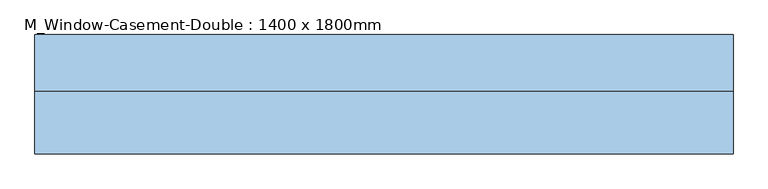
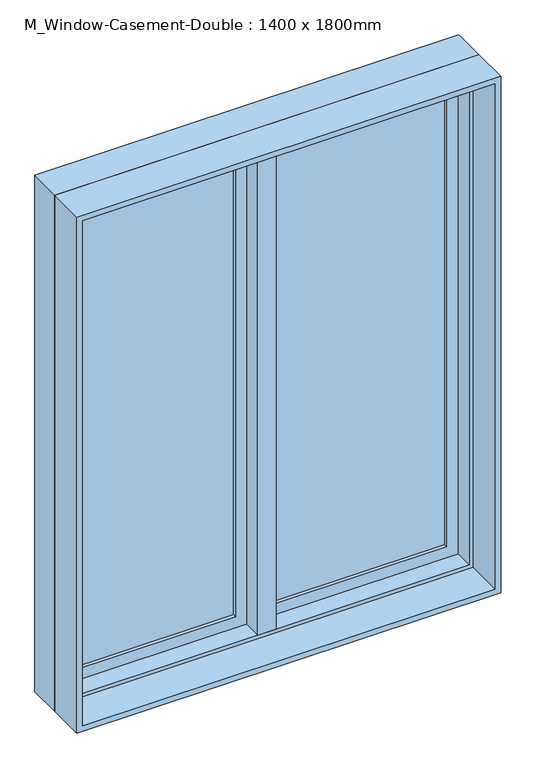
"""IFC4 building model written with IfcOpenShell, lengths in millimetres: window geometry, M_Window-Casement-Double : 1400 x 1800mm."""

from ifc_helpers import new_model, si_unit, frame, origin, place, context, project, spatial, polyline, outline, extrude, faceted_brep, source, transform, mapped, element, save


def m_window_casement_double_1400_x_1800mm_f6577a7e(model_context):
    return source(origin(), model_context, "Body", "SolidModel", [
        faceted_brep([(9.525, 129.05, 2687.3), (-9.525, 129.05, 2687.3), (-9.525, 78.25, 2687.3), (9.525, 78.25, 2687.3), (9.525, 129.05, 912.7), (9.525, 78.25, 912.7), (-9.525, 78.25, 912.7), (-9.525, 129.05, 912.7), (-9.525, 78.25, 931.75), (-9.525, 78.25, 2668.25), (-30.1625, 78.25, 931.75), (-30.1625, 78.25, 2668.25), (-30.1625, 14.75, 931.75), (-30.1625, 14.75, 2668.25), (30.1625, 14.75, 931.75), (30.1625, 14.75, 2668.25), (30.1625, 78.25, 931.75), (30.1625, 78.25, 2668.25), (9.525, 78.25, 931.75), (9.525, 78.25, 2668.25)], [[[0, 1, 2, 3]], [[4, 5, 6, 7]], [[1, 0, 4, 7]], [[2, 1, 7, 6, 8, 9]], [[9, 8, 10, 11]], [[11, 10, 12, 13]], [[13, 12, 14, 15]], [[15, 14, 16, 17]], [[17, 16, 18, 19]], [[0, 3, 19, 18, 5, 4]], [[18, 8, 6, 5]], [[9, 19, 3, 2]], [[8, 18, 16, 14, 12, 10]], [[19, 9, 11, 13, 15, 17]]]),
        extrude(outline(polyline([(-66.675, 110.0), (-66.675, 103.65), (-630.15, 103.65), (-630.15, 110.0), (-66.675, 110.0)])), frame((0.0, 0.0, 969.85), z_axis=(0.0, 0.0, 1.0), x_axis=(1.0, 0.0, 0.0)), (0.0, 0.0, 1.0), 1660.3),
        extrude(outline(polyline([(-630.15, 90.95), (-630.15, 97.3), (-66.675, 97.3), (-66.675, 90.95), (-630.15, 90.95)])), frame((0.0, 0.0, 969.85), z_axis=(0.0, 0.0, 1.0), x_axis=(1.0, 0.0, 0.0)), (0.0, 0.0, 1.0), 1660.3),
        extrude(outline(polyline([(630.15, 110.0), (630.15, 103.65), (66.675, 103.65), (66.675, 110.0), (630.15, 110.0)])), frame((0.0, 0.0, 969.85), z_axis=(0.0, 0.0, 1.0), x_axis=(1.0, 0.0, 0.0)), (0.0, 0.0, 1.0), 1660.3),
        extrude(outline(polyline([(66.675, 90.95), (66.675, 97.3), (630.15, 97.3), (630.15, 90.95), (66.675, 90.95)])), frame((0.0, 0.0, 969.85), z_axis=(0.0, 0.0, 1.0), x_axis=(1.0, 0.0, 0.0)), (0.0, 0.0, 1.0), 1660.3),
        extrude(outline(polyline([(2687.3, -687.3), (912.7, -687.3), (912.7, -9.525), (2687.3, -9.525), (2687.3, -687.3)]), holes=[polyline([(2630.15, -66.675), (969.85, -66.675), (969.85, -630.15), (2630.15, -630.15), (2630.15, -66.675)])]), frame((0.0, 78.25, 0.0), z_axis=(0.0, 1.0, 0.0), x_axis=(0.0, 0.0, 1.0)), (0.0, 0.0, 1.0), 44.45),
        extrude(outline(polyline([(912.7, 687.3), (2687.3, 687.3), (2687.3, 9.525), (912.7, 9.525), (912.7, 687.3)]), holes=[polyline([(969.85, 66.675), (2630.15, 66.675), (2630.15, 630.15), (969.85, 630.15), (969.85, 66.675)])]), frame((0.0, 78.25, 0.0), z_axis=(0.0, 1.0, 0.0), x_axis=(0.0, 0.0, 1.0)), (0.0, 0.0, 1.0), 44.45),
        extrude(outline(polyline([(2700.0, -700.0), (900.0, -700.0), (900.0, 700.0), (2700.0, 700.0), (2700.0, -700.0)]), holes=[polyline([(2680.95, 680.95), (919.05, 680.95), (919.05, -680.95), (2680.95, -680.95), (2680.95, 680.95)])]), frame((0.0, -110.0, 0.0), z_axis=(0.0, 1.0, 0.0), x_axis=(0.0, 0.0, 1.0)), (0.0, 0.0, 1.0), 124.75),
        faceted_brep([(668.25, 78.25, 2668.25), (668.25, 14.75, 2668.25), (-668.25, 14.75, 2668.25), (-668.25, 78.25, 2668.25), (687.3, 129.05, 2687.3), (687.3, 78.25, 2687.3), (-687.3, 78.25, 2687.3), (-687.3, 129.05, 2687.3), (700.0, 14.75, 2700.0), (700.0, 129.05, 2700.0), (-700.0, 129.05, 2700.0), (-700.0, 14.75, 2700.0), (-668.25, 14.75, 931.75), (-668.25, 78.25, 931.75), (-687.3, 78.25, 912.7), (-687.3, 129.05, 912.7), (-700.0, 129.05, 900.0), (-700.0, 14.75, 900.0), (668.25, 14.75, 931.75), (668.25, 78.25, 931.75), (687.3, 78.25, 912.7), (687.3, 129.05, 912.7), (700.0, 129.05, 900.0), (700.0, 14.75, 900.0)], [[[0, 1, 2, 3]], [[4, 5, 6, 7]], [[8, 9, 10, 11]], [[3, 2, 12, 13]], [[7, 6, 14, 15]], [[11, 10, 16, 17]], [[13, 12, 18, 19]], [[15, 14, 20, 21]], [[17, 16, 22, 23]], [[11, 17, 23, 8], [1, 18, 12, 2]], [[19, 18, 1, 0]], [[5, 20, 14, 6], [3, 13, 19, 0]], [[21, 20, 5, 4]], [[23, 22, 9, 8]], [[9, 22, 16, 10], [7, 15, 21, 4]]]),
    ])


if __name__ == "__main__":
    model = new_model("IFC4")
    model_context = context("Model", 3, world=origin())
    ifc_project = project(units=[si_unit("LENGTHUNIT", "METRE", prefix="MILLI")], contexts=[model_context])
    site = spatial("IfcSite", under=ifc_project)
    building = spatial("IfcBuilding", under=site)
    placement = place(None, origin())
    m_window_casement_double_1400_x_1800mm_shape = m_window_casement_double_1400_x_1800mm_f6577a7e(model_context)
    element("IfcWindow", 1, ObjectType="M_Window-Casement-Double : 1400 x 1800mm", at=placement, inside=building, context=model_context, shape_type="MappedRepresentation", body=[
        mapped(m_window_casement_double_1400_x_1800mm_shape, transform((0.0, 0.0, 0.0), x_axis=(1.0, 0.0, 0.0), y_axis=(0.0, 1.0, 0.0), z_axis=(0.0, 0.0, 1.0))),
    ])
    save(model, "model.ifc")
